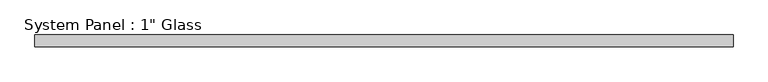
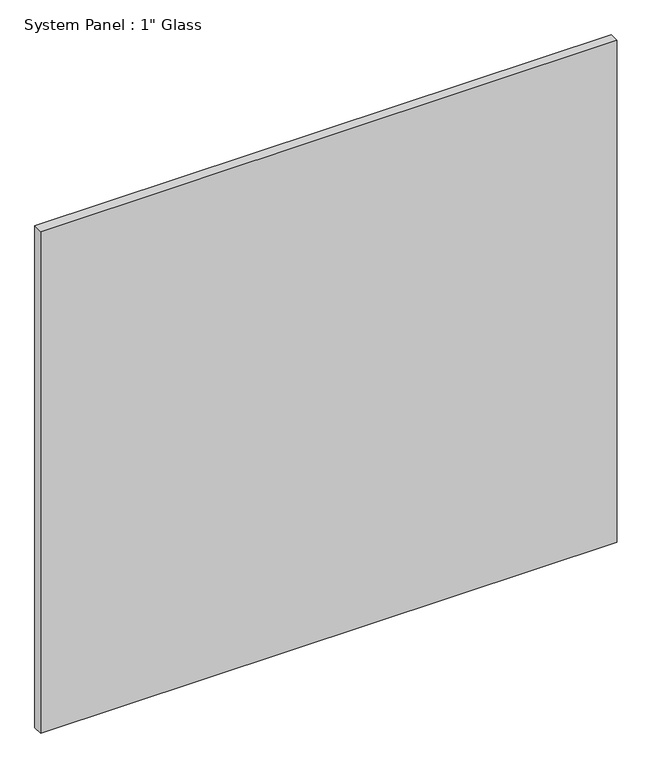
"""IFC4 building model written with IfcOpenShell, lengths in millimetres: plate geometry."""

import ifcopenshell
import ifcopenshell.guid

model = None  # the IFC model being written
_history = None  # IfcOwnerHistory: only IFC2X3 demands one
_inside = {}  # id of a spatial element -> (the spatial element, [elements in it])
_under = {}  # id of a project, library or spatial element -> (it, [spatial elements below it])
_declared = {}  # id of a project -> (the project, [libraries it declares])
_typed = {}  # id of a type object -> (the type object, [elements of that type])
_made_of = {}  # id of a material, layer set ... -> (it, [elements and type objects made of it])


def new_model(schema):
    """Start an empty IFC model of exactly this schema.

    Asked for "IFC4X3", IfcOpenShell would pick the latest addendum, in which some entities
    have other attributes; the version numbers below select the first issue.
    IFC2X3 requires an IfcOwnerHistory on every rooted entity: one is made here for all.
    """
    global model, _history
    if schema == "IFC4X3":
        model = ifcopenshell.file(schema_version=(4, 3, 0, 0))
    else:
        model = ifcopenshell.file(schema=schema)
    _inside.clear()
    _under.clear()
    _declared.clear()
    _typed.clear()
    _made_of.clear()
    _history = None
    if model.schema == "IFC2X3":
        org = make("IfcOrganization", Name="unknown")
        user = make(
            "IfcPersonAndOrganization",
            ThePerson=make("IfcPerson", FamilyName="unknown"),
            TheOrganization=org,
        )
        app = make(
            "IfcApplication",
            ApplicationDeveloper=org,
            Version="unknown",
            ApplicationFullName="unknown",
            ApplicationIdentifier="unknown",
        )
        _history = make(
            "IfcOwnerHistory",
            OwningUser=user,
            OwningApplication=app,
            ChangeAction="ADDED",
            CreationDate=0,
        )
    return model


def make(cls, **values):
    """One entity of the class cls with the attributes given. An attribute that is None is left unset."""
    return model.create_entity(
        cls, **{name: value for name, value in values.items() if value is not None}
    )


def rooted(cls, **values):
    """An entity with a GlobalId (a new one), such as an element, a storey or a relation."""
    return make(cls, GlobalId=ifcopenshell.guid.new(), OwnerHistory=_history, **values)


def si_unit(unit_type, name, prefix=None):
    """IfcSIUnit, for example si_unit("LENGTHUNIT", "METRE", prefix="MILLI")."""
    return make("IfcSIUnit", UnitType=unit_type, Prefix=prefix, Name=name)


def assignment(units):
    """IfcUnitAssignment: the units of a project."""
    return None if units is None else make("IfcUnitAssignment", Units=units)


def point(xyz):
    """IfcCartesianPoint."""
    return None if xyz is None else make("IfcCartesianPoint", Coordinates=xyz)


def direction(xyz):
    """IfcDirection."""
    return None if xyz is None else make("IfcDirection", DirectionRatios=xyz)


def frame(location, z_axis=None, x_axis=None):
    """IfcAxis2Placement3D, a coordinate frame: its origin and axes. An axis left out is left unset."""
    return make(
        "IfcAxis2Placement3D",
        Location=point(location),
        Axis=direction(z_axis),
        RefDirection=direction(x_axis),
    )


def origin():
    """The frame at (0, 0, 0) with its axes left unset."""
    return frame((0.0, 0.0, 0.0))


def origin_with_axes():
    """The frame at (0, 0, 0) with the z axis (0, 0, 1) and the x axis (1, 0, 0) written out."""
    return frame((0.0, 0.0, 0.0), z_axis=(0.0, 0.0, 1.0), x_axis=(1.0, 0.0, 0.0))


def place(relative_to, where):
    """IfcLocalPlacement: puts the frame where relative to a parent placement (None: the world)."""
    return make(
        "IfcLocalPlacement", PlacementRelTo=relative_to, RelativePlacement=where
    )


def context(
    kind, dimensions, precision=None, world=None, true_north=None, identifier=None
):
    """IfcGeometricRepresentationContext, for example the 3D "Model" context."""
    return make(
        "IfcGeometricRepresentationContext",
        ContextIdentifier=identifier,
        ContextType=kind,
        CoordinateSpaceDimension=dimensions,
        Precision=precision,
        WorldCoordinateSystem=world,
        TrueNorth=true_north,
    )


def project(units=None, contexts=None):
    """IfcProject with its units and contexts."""
    return rooted(
        "IfcProject",
        Name="project",
        RepresentationContexts=contexts,
        UnitsInContext=assignment(units),
    )


def spatial(cls, under=None, at=None, **own):
    """A site, building, storey or space (cls), placed at a placement, below another one or the project."""
    s = rooted(cls, ObjectPlacement=at, **own)
    if under is not None:
        _under.setdefault(under.id(), (under, []))[1].append(s)
    return s


def polyline(points):
    """IfcPolyline through the points."""
    return make("IfcPolyline", Points=[point(p) for p in points])


def outline(outer, holes=None, kind="AREA"):
    """IfcArbitraryClosedProfileDef: a profile drawn as a closed curve; with holes, ...WithVoids."""
    if holes is None:
        return make("IfcArbitraryClosedProfileDef", ProfileType=kind, OuterCurve=outer)
    return make(
        "IfcArbitraryProfileDefWithVoids",
        ProfileType=kind,
        OuterCurve=outer,
        InnerCurves=holes,
    )


def extrude(swept, where, along, depth):
    """IfcExtrudedAreaSolid: the profile swept, set in the frame where, extruded along a direction by depth."""
    return make(
        "IfcExtrudedAreaSolid",
        SweptArea=swept,
        Position=where,
        ExtrudedDirection=direction(along),
        Depth=depth,
    )


def shape(context_of_items, identifier, shape_type, items):
    """IfcShapeRepresentation: the items that make up one representation, for example the "Body"."""
    return make(
        "IfcShapeRepresentation",
        ContextOfItems=context_of_items,
        RepresentationIdentifier=identifier,
        RepresentationType=shape_type,
        Items=items,
    )


def source(mapping_origin, context_of_items, identifier, shape_type, items):
    """IfcRepresentationMap: a shape defined once, which mapped items show again and again."""
    return make(
        "IfcRepresentationMap",
        MappingOrigin=mapping_origin,
        MappedRepresentation=shape(context_of_items, identifier, shape_type, items),
    )


def transform(
    local_origin,
    x_axis=None,
    y_axis=None,
    z_axis=None,
    scale=None,
    scale2=None,
    scale3=None,
    uniform=True,
):
    """IfcCartesianTransformationOperator3D, or its non-uniform kind. x_axis, y_axis, z_axis: its Axis1, 2, 3."""
    if uniform:
        return make(
            "IfcCartesianTransformationOperator3D",
            Axis1=direction(x_axis),
            Axis2=direction(y_axis),
            LocalOrigin=point(local_origin),
            Scale=scale,
            Axis3=direction(z_axis),
        )
    return make(
        "IfcCartesianTransformationOperator3DnonUniform",
        Axis1=direction(x_axis),
        Axis2=direction(y_axis),
        LocalOrigin=point(local_origin),
        Scale=scale,
        Axis3=direction(z_axis),
        Scale2=scale2,
        Scale3=scale3,
    )


def mapped(mapping_source, mapping_target):
    """IfcMappedItem: shows the shape of a source again, moved by a transform."""
    return make(
        "IfcMappedItem", MappingSource=mapping_source, MappingTarget=mapping_target
    )


def made_of(thing, what):
    """Note that an element or type object is made of a material, layer set ...; save() writes the relation."""
    if what is not None:
        _made_of.setdefault(what.id(), (what, []))[1].append(thing)
    return thing


def element(
    cls,
    number,
    at=None,
    inside=None,
    cuts=None,
    type_object=None,
    material=None,
    context=None,
    identifier="Body",
    shape_type=None,
    held_by="IfcProductDefinitionShape",
    body=None,
    shapes=None,
    **own,
):
    """One element of the class cls, such as IfcWall. Its Tag is "e" and its number.

    at: its placement. inside: the storey or other place that contains it. cuts: it is an
    opening in that element (IfcRelVoidsElement). A single representation is given by context,
    identifier, shape_type and body (its items); several are given by shapes. held_by: the class
    of the entity that holds the representations. save() writes the other relations.
    """
    e = rooted(cls, Tag="e%d" % number, ObjectPlacement=at, **own)
    if body is not None:
        shapes = [shape(context, identifier, shape_type, body)]
    if shapes is not None:
        e.Representation = make(held_by, Representations=shapes)
    if inside is not None:
        _inside.setdefault(inside.id(), (inside, []))[1].append(e)
    if cuts is not None:
        rooted(
            "IfcRelVoidsElement", RelatingBuildingElement=cuts, RelatedOpeningElement=e
        )
    if type_object is not None:
        _typed.setdefault(type_object.id(), (type_object, []))[1].append(e)
    return made_of(e, material)


def aggregate(whole, parts):
    """IfcRelAggregates: a whole, such as a stair, and the parts it consists of."""
    return rooted("IfcRelAggregates", RelatingObject=whole, RelatedObjects=parts)


def save(model, path):
    """Write the relations noted so far, then the file.

    IfcRelAggregates (storeys below a building ...), IfcRelContainedInSpatialStructure (elements
    in a storey), IfcRelDefinesByType, IfcRelAssociatesMaterial and IfcRelDeclares: one each for
    every whole, place, type object, material and project.
    """
    for whole, parts in _under.values():
        aggregate(whole, parts)
    for where, things in _inside.values():
        rooted(
            "IfcRelContainedInSpatialStructure",
            RelatedElements=things,
            RelatingStructure=where,
        )
    for kind, things in _typed.values():
        rooted("IfcRelDefinesByType", RelatedObjects=things, RelatingType=kind)
    for what, things in _made_of.values():
        rooted("IfcRelAssociatesMaterial", RelatedObjects=things, RelatingMaterial=what)
    for by, libraries in _declared.values():
        rooted("IfcRelDeclares", RelatingContext=by, RelatedDefinitions=libraries)
    model.write(path)


def plate_85f22390(model_context):
    return source(origin(), model_context, "Body", "SweptSolid", [
        extrude(outline(polyline([(755.65, -12.7), (-755.65, -12.7), (-755.65, 12.7), (755.65, 12.7), (755.65, -12.7)])), origin_with_axes(), (0.0, 0.0, 1.0), 1388.8591382),
    ])


if __name__ == "__main__":
    model = new_model("IFC4")
    model_context = context("Model", 3, world=origin())
    ifc_project = project(units=[si_unit("LENGTHUNIT", "METRE", prefix="MILLI")], contexts=[model_context])
    site = spatial("IfcSite", under=ifc_project)
    building = spatial("IfcBuilding", under=site)
    placement = place(None, origin())
    plate_shape = plate_85f22390(model_context)
    element("IfcPlate", 1, ObjectType="System Panel : 1\" Glass", at=placement, inside=building, context=model_context, shape_type="MappedRepresentation", body=[
        mapped(plate_shape, transform((0.0, 0.0, 0.0), x_axis=(1.0, 0.0, 0.0), y_axis=(0.0, 1.0, 0.0), z_axis=(0.0, 0.0, 1.0))),
    ])
    save(model, "model.ifc")
